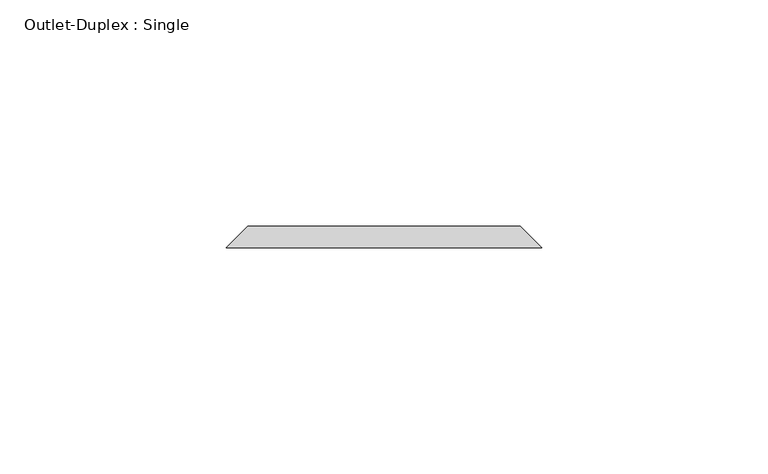
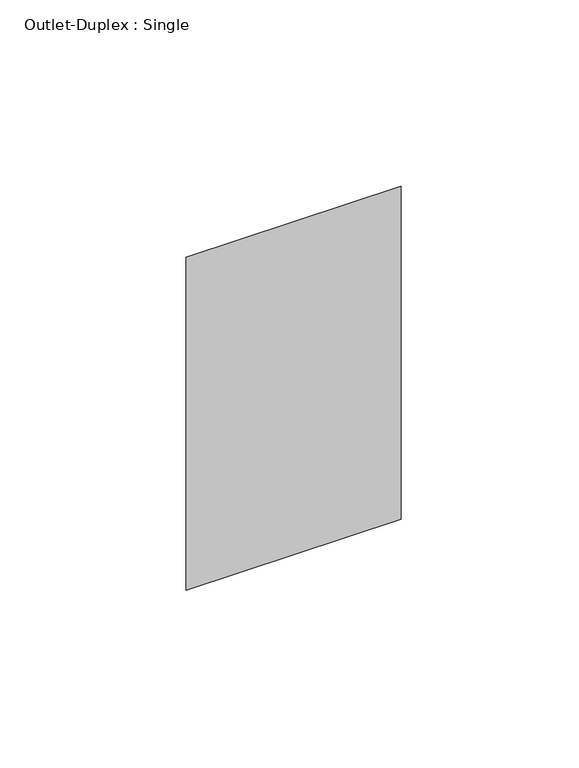
"""IFC4 building model written with IfcOpenShell, lengths in millimetres: proxy geometry, Outlet-Duplex : Single."""

from ifc_helpers import new_model, si_unit, origin, place, context, project, spatial, faceted_brep, source, transform, mapped, element, save


def outlet_duplex_single_9ede9679(model_context):
    return source(origin(), model_context, "Body", "Brep", [
        faceted_brep([(-30.1625, 109.5375, 357.1875), (30.1625, 109.5375, 357.1875), (30.1625, 109.5375, 252.4125), (-30.1625, 109.5375, 252.4125), (-34.925, 104.775, 361.95), (-34.925, 104.775, 247.65), (34.925, 104.775, 247.65), (34.925, 104.775, 361.95)], [[[0, 1, 2, 3]], [[4, 5, 6, 7]], [[4, 7, 1, 0]], [[7, 6, 2, 1]], [[6, 5, 3, 2]], [[5, 4, 0, 3]]]),
    ])


if __name__ == "__main__":
    model = new_model("IFC4")
    model_context = context("Model", 3, world=origin())
    ifc_project = project(units=[si_unit("LENGTHUNIT", "METRE", prefix="MILLI")], contexts=[model_context])
    site = spatial("IfcSite", under=ifc_project)
    building = spatial("IfcBuilding", under=site)
    placement = place(None, origin())
    outlet_duplex_single_shape = outlet_duplex_single_9ede9679(model_context)
    element("IfcBuildingElementProxy", 1, Name="Outlet-Duplex : Single", ObjectType="Outlet-Duplex : Single", at=placement, inside=building, context=model_context, shape_type="MappedRepresentation", body=[
        mapped(outlet_duplex_single_shape, transform((0.0, 0.0, 0.0), x_axis=(1.0, 0.0, 0.0), y_axis=(0.0, 1.0, 0.0), z_axis=(0.0, 0.0, 1.0))),
    ])
    save(model, "model.ifc")
